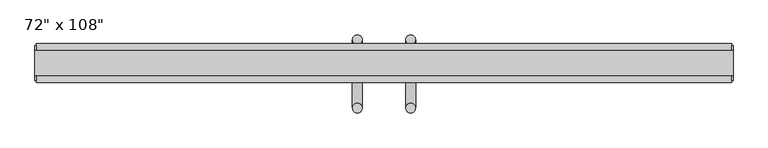
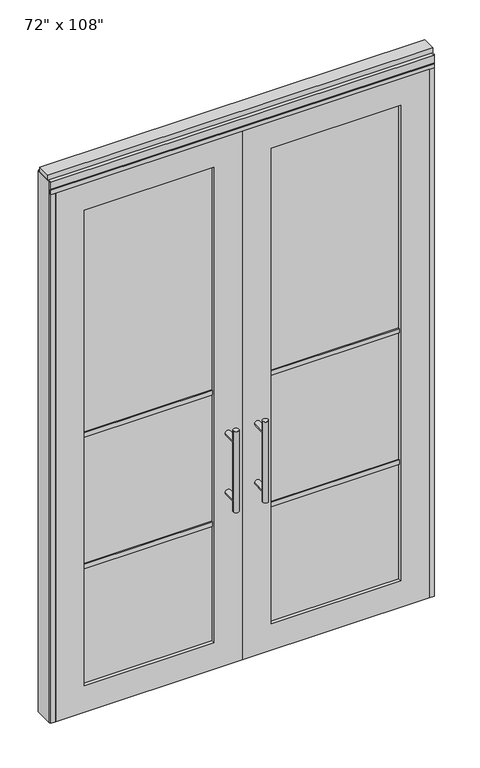
"""IFC4 building model written with IfcOpenShell, lengths in millimetres: furniture geometry."""

from ifc_helpers import new_model, si_unit, frame, origin, origin_with_axes, place, context, project, spatial, polyline, circle_curve, ellipse_curve, outline, extrude, source, transform, mapped, element, save
from ifc_brep_helpers import plane_surface, cylinder_surface, advanced_brep


def furniture_67a5b6b5(model_context):
    return source(origin(), model_context, "Body", "SolidModel", [
        advanced_brep(
        [(-117.3135229, 56.6962784, 1219.2), (-142.7135229, 56.6962784, 1219.2), (-117.3135229, 56.6962784, 812.8), (-142.7135229, 56.6962784, 812.8), (-117.3135229, 56.6962784, 1164.336), (-117.3135229, 56.6962784, 867.664), (-142.7135229, 56.6962784, 867.664), (-142.7135229, 56.6962784, 1164.336), (-117.3135229, -10.8677216, 1164.336), (-142.7135229, -10.8677216, 1164.336), (-117.3135229, -10.8677216, 867.664), (-142.7135229, -10.8677216, 867.664)],
        [
            (0, 1, circle_curve(frame((-130.0135229, 56.6962784, 1219.2), z_axis=(0.0, 0.0, 1.0), x_axis=(-1.0, 0.0, 0.0)), 12.7)),
            (1, 0, circle_curve(frame((-130.0135229, 56.6962784, 1219.2), z_axis=(0.0, 0.0, 1.0), x_axis=(-1.0, 0.0, 0.0)), 12.7)),
            (2, 3, circle_curve(frame((-130.0135229, 56.6962784, 812.8), z_axis=(0.0, 0.0, -1.0), x_axis=(-1.0, 0.0, 0.0)), 12.7)),
            (3, 2, circle_curve(frame((-130.0135229, 56.6962784, 812.8), z_axis=(0.0, 0.0, -1.0), x_axis=(-1.0, 0.0, 0.0)), 12.7)),
            (0, 4),
            (4, 5),
            (5, 2),
            (3, 6),
            (6, 7),
            (7, 1),
            (7, 4, ellipse_curve(frame((-130.0135229, 56.6962784, 1164.336), z_axis=(0.0, 0.707106781186565, 0.70710678118653), x_axis=(0.0, -0.70710678118653, 0.707106781186565)), 17.9605122, 12.7)),
            (5, 6, ellipse_curve(frame((-130.0135229, 56.6962784, 867.664), z_axis=(0.0, 0.70710678118653, -0.7071067811865649), x_axis=(0.0, 0.7071067811865648, 0.7071067811865301)), 17.9605122, 12.7)),
            (4, 7, ellipse_curve(frame((-130.0135229, 56.6962784, 1164.336), z_axis=(0.0, 0.70710678118653, -0.7071067811865649), x_axis=(0.0, 0.7071067811865648, 0.7071067811865301)), 17.9605122, 12.7)),
            (6, 5, ellipse_curve(frame((-130.0135229, 56.6962784, 867.664), z_axis=(0.0, 0.707106781186565, 0.70710678118653), x_axis=(0.0, -0.70710678118653, 0.707106781186565)), 17.9605122, 12.7)),
            (8, 9, circle_curve(frame((-130.0135229, -10.8677216, 1164.336), z_axis=(0.0, -1.0, 0.0), x_axis=(-1.0, 0.0, 0.0)), 12.7)),
            (9, 8, circle_curve(frame((-130.0135229, -10.8677216, 1164.336), z_axis=(0.0, -1.0, 0.0), x_axis=(-1.0, 0.0, 0.0)), 12.7)),
            (9, 7),
            (4, 8),
            (10, 11, circle_curve(frame((-130.0135229, -10.8677216, 867.664), z_axis=(0.0, -1.0, 0.0), x_axis=(-1.0, 0.0, 0.0)), 12.7)),
            (11, 10, circle_curve(frame((-130.0135229, -10.8677216, 867.664), z_axis=(0.0, -1.0, 0.0), x_axis=(-1.0, 0.0, 0.0)), 12.7)),
            (11, 6),
            (5, 10),
        ],
        [
            plane_surface(frame((-142.7135229, 56.6962784, 1219.2), z_axis=(0.0, 0.0, 1.0), x_axis=(0.0, -1.0, 0.0))),
            plane_surface(frame((-142.7135229, 56.6962784, 812.8), z_axis=(0.0, 0.0, -1.0), x_axis=(0.0, 1.0, 0.0))),
            cylinder_surface(frame((-130.0135229, 56.6962784, 812.8), z_axis=(0.0, 0.0, 1.0), x_axis=(-1.0, 0.0, 0.0)), 12.7),
            plane_surface(frame((-142.7135229, -10.8677216, 1164.336), z_axis=(0.0, -1.0, 0.0), x_axis=(0.0, 0.0, -1.0))),
            cylinder_surface(frame((-130.0135229, -10.8677216, 1164.336), z_axis=(0.0, 1.0, 0.0), x_axis=(-1.0, 0.0, 0.0)), 12.7),
            plane_surface(frame((-142.7135229, -10.8677216, 867.664), z_axis=(0.0, -1.0, 0.0), x_axis=(0.0, 0.0, -1.0))),
            cylinder_surface(frame((-130.0135229, -10.8677216, 867.664), z_axis=(0.0, 1.0, 0.0), x_axis=(-1.0, 0.0, 0.0)), 12.7),
        ],
        [
            (0, [[1, 2]]),
            (1, [[3, 4]]),
            (2, [[-1, 5, 6, 7, -4, 8, 9, 10]]),
            (2, [[-2, -10, 11, -5]]),
            (2, [[-3, -7, 12, -8]]),
            (2, [[13, -9, 14, -6]]),
            (3, [[15, 16]]),
            (4, [[-16, 17, -13, 18]]),
            (4, [[-15, -18, -11, -17]]),
            (5, [[19, 20]]),
            (6, [[-20, 21, -12, 22]]),
            (6, [[-19, -22, -14, -21]]),
        ],
    ),
        advanced_brep(
        [(-117.3135229, -122.8817216, 1219.2), (-142.7135229, -122.8817216, 1219.2), (-117.3135229, -122.8817216, 812.8), (-142.7135229, -122.8817216, 812.8), (-142.7135229, -122.8817216, 1164.336), (-142.7135229, -122.8817216, 867.664), (-117.3135229, -122.8817216, 867.664), (-117.3135229, -122.8817216, 1164.336), (-117.3135229, -55.3177216, 1164.336), (-142.7135229, -55.3177216, 1164.336), (-117.3135229, -55.3177216, 867.664), (-142.7135229, -55.3177216, 867.664)],
        [
            (0, 1, circle_curve(frame((-130.0135229, -122.8817216, 1219.2), z_axis=(0.0, 0.0, 1.0), x_axis=(-1.0, 0.0, 0.0)), 12.7)),
            (1, 0, circle_curve(frame((-130.0135229, -122.8817216, 1219.2), z_axis=(0.0, 0.0, 1.0), x_axis=(-1.0, 0.0, 0.0)), 12.7)),
            (2, 3, circle_curve(frame((-130.0135229, -122.8817216, 812.8), z_axis=(0.0, 0.0, -1.0), x_axis=(-1.0, 0.0, 0.0)), 12.7)),
            (3, 2, circle_curve(frame((-130.0135229, -122.8817216, 812.8), z_axis=(0.0, 0.0, -1.0), x_axis=(-1.0, 0.0, 0.0)), 12.7)),
            (1, 4),
            (4, 5),
            (5, 3),
            (2, 6),
            (6, 7),
            (7, 0),
            (6, 5, ellipse_curve(frame((-130.0135229, -122.8817216, 867.664), z_axis=(0.0, -0.707106781186565, 0.70710678118653), x_axis=(0.0, 0.70710678118653, 0.707106781186565)), 17.9605122, 12.7)),
            (4, 7, ellipse_curve(frame((-130.0135229, -122.8817216, 1164.336), z_axis=(0.0, -0.70710678118653, -0.7071067811865649), x_axis=(0.0, -0.7071067811865648, 0.7071067811865301)), 17.9605122, 12.7)),
            (7, 4, ellipse_curve(frame((-130.0135229, -122.8817216, 1164.336), z_axis=(0.0, -0.707106781186565, 0.70710678118653), x_axis=(0.0, 0.70710678118653, 0.707106781186565)), 17.9605122, 12.7)),
            (5, 6, ellipse_curve(frame((-130.0135229, -122.8817216, 867.664), z_axis=(0.0, -0.70710678118653, -0.7071067811865649), x_axis=(0.0, -0.7071067811865648, 0.7071067811865301)), 17.9605122, 12.7)),
            (8, 9, circle_curve(frame((-130.0135229, -55.3177216, 1164.336), z_axis=(0.0, 1.0, 0.0), x_axis=(-1.0, 0.0, 0.0)), 12.7)),
            (9, 8, circle_curve(frame((-130.0135229, -55.3177216, 1164.336), z_axis=(0.0, 1.0, 0.0), x_axis=(-1.0, 0.0, 0.0)), 12.7)),
            (8, 7),
            (4, 9),
            (10, 11, circle_curve(frame((-130.0135229, -55.3177216, 867.664), z_axis=(0.0, 1.0, 0.0), x_axis=(-1.0, 0.0, 0.0)), 12.7)),
            (11, 10, circle_curve(frame((-130.0135229, -55.3177216, 867.664), z_axis=(0.0, 1.0, 0.0), x_axis=(-1.0, 0.0, 0.0)), 12.7)),
            (10, 6),
            (5, 11),
        ],
        [
            plane_surface(frame((-142.7135229, -122.8817216, 1219.2), z_axis=(0.0, 0.0, 1.0), x_axis=(0.0, 1.0, 0.0))),
            plane_surface(frame((-142.7135229, -122.8817216, 812.8), z_axis=(0.0, 0.0, -1.0), x_axis=(0.0, -1.0, 0.0))),
            cylinder_surface(frame((-130.0135229, -122.8817216, 812.8), z_axis=(0.0, 0.0, 1.0), x_axis=(-1.0, 0.0, 0.0)), 12.7),
            plane_surface(frame((-142.7135229, -55.3177216, 1164.336), z_axis=(0.0, 1.0, 0.0), x_axis=(0.0, 0.0, -1.0))),
            cylinder_surface(frame((-130.0135229, -55.3177216, 1164.336), z_axis=(0.0, -1.0, 0.0), x_axis=(-1.0, 0.0, 0.0)), 12.7),
            plane_surface(frame((-142.7135229, -55.3177216, 867.664), z_axis=(0.0, 1.0, 0.0), x_axis=(0.0, 0.0, -1.0))),
            cylinder_surface(frame((-130.0135229, -55.3177216, 867.664), z_axis=(0.0, -1.0, 0.0), x_axis=(-1.0, 0.0, 0.0)), 12.7),
        ],
        [
            (0, [[1, 2]]),
            (1, [[3, 4]]),
            (2, [[5, 6, 7, -3, 8, 9, 10, -2]]),
            (2, [[-9, 11, -6, 12]]),
            (2, [[-10, 13, -5, -1]]),
            (2, [[-7, 14, -8, -4]]),
            (3, [[15, 16]]),
            (4, [[17, -12, 18, -15]]),
            (4, [[-18, -13, -17, -16]]),
            (5, [[19, 20]]),
            (6, [[21, -14, 22, -19]]),
            (6, [[-22, -11, -21, -20]]),
        ],
    ),
        extrude(outline(polyline([(-196.0535229, -44.2052216), (-812.2575229, -44.2052216), (-812.2575229, -21.9802216), (-196.0535229, -21.9802216), (-196.0535229, -44.2052216)])), frame((0.0, 0.0, 1371.6), z_axis=(0.0, 0.0, 1.0), x_axis=(1.0, 0.0, 0.0)), (0.0, 0.0, 1.0), 22.225),
        extrude(outline(polyline([(-196.0535229, -44.2052216), (-812.2575229, -44.2052216), (-812.2575229, -21.9802216), (-196.0535229, -21.9802216), (-196.0535229, -44.2052216)])), frame((0.0, 0.0, 711.2), z_axis=(0.0, 0.0, 1.0), x_axis=(1.0, 0.0, 0.0)), (0.0, 0.0, 1.0), 22.225),
        extrude(outline(polyline([(-812.2575229, -38.1727216), (-812.2575229, -28.0127216), (-196.0535229, -28.0127216), (-196.0535229, -38.1727216), (-812.2575229, -38.1727216)])), frame((0.0, 0.0, 132.969), z_axis=(0.0, 0.0, 1.0), x_axis=(1.0, 0.0, 0.0)), (0.0, 0.0, 1.0), 2388.362),
        extrude(outline(polyline([(2654.3, -948.2745229), (0.0, -948.2745229), (0.0, -60.0365229), (2654.3, -60.0365229), (2654.3, -948.2745229)]), holes=[polyline([(2521.331, -812.2575229), (2521.331, -196.0535229), (132.969, -196.0535229), (132.969, -812.2575229), (2521.331, -812.2575229)])]), frame((0.0, -55.3177216, 0.0), z_axis=(0.0, 1.0, 0.0), x_axis=(0.0, 0.0, 1.0)), (0.0, 0.0, 1.0), 44.45),
        advanced_brep(
        [(-2.7595229, 56.6962784, 1219.2), (22.6404771, 56.6962784, 1219.2), (-2.7595229, 56.6962784, 812.8), (22.6404771, 56.6962784, 812.8), (22.6404771, 56.6962784, 1164.336), (22.6404771, 56.6962784, 867.664), (-2.7595229, 56.6962784, 867.664), (-2.7595229, 56.6962784, 1164.336), (-2.7595229, -10.8677216, 1164.336), (22.6404771, -10.8677216, 1164.336), (-2.7595229, -10.8677216, 867.664), (22.6404771, -10.8677216, 867.664)],
        [
            (0, 1, circle_curve(frame((9.9404771, 56.6962784, 1219.2), z_axis=(0.0, 0.0, 1.0), x_axis=(1.0, 0.0, 0.0)), 12.7)),
            (1, 0, circle_curve(frame((9.9404771, 56.6962784, 1219.2), z_axis=(0.0, 0.0, 1.0), x_axis=(1.0, 0.0, 0.0)), 12.7)),
            (2, 3, circle_curve(frame((9.9404771, 56.6962784, 812.8), z_axis=(0.0, 0.0, -1.0), x_axis=(1.0, 0.0, 0.0)), 12.7)),
            (3, 2, circle_curve(frame((9.9404771, 56.6962784, 812.8), z_axis=(0.0, 0.0, -1.0), x_axis=(1.0, 0.0, 0.0)), 12.7)),
            (1, 4),
            (4, 5),
            (5, 3),
            (2, 6),
            (6, 7),
            (7, 0),
            (6, 5, ellipse_curve(frame((9.9404771, 56.6962784, 867.664), z_axis=(0.0, 0.707106781186565, 0.70710678118653), x_axis=(0.0, -0.70710678118653, 0.707106781186565)), 17.9605122, 12.7)),
            (4, 7, ellipse_curve(frame((9.9404771, 56.6962784, 1164.336), z_axis=(0.0, 0.70710678118653, -0.7071067811865649), x_axis=(0.0, 0.7071067811865648, 0.7071067811865301)), 17.9605122, 12.7)),
            (7, 4, ellipse_curve(frame((9.9404771, 56.6962784, 1164.336), z_axis=(0.0, 0.707106781186565, 0.70710678118653), x_axis=(0.0, -0.70710678118653, 0.707106781186565)), 17.9605122, 12.7)),
            (5, 6, ellipse_curve(frame((9.9404771, 56.6962784, 867.664), z_axis=(0.0, 0.70710678118653, -0.7071067811865649), x_axis=(0.0, 0.7071067811865648, 0.7071067811865301)), 17.9605122, 12.7)),
            (8, 9, circle_curve(frame((9.9404771, -10.8677216, 1164.336), z_axis=(0.0, -1.0, 0.0), x_axis=(1.0, 0.0, 0.0)), 12.7)),
            (9, 8, circle_curve(frame((9.9404771, -10.8677216, 1164.336), z_axis=(0.0, -1.0, 0.0), x_axis=(1.0, 0.0, 0.0)), 12.7)),
            (8, 7),
            (4, 9),
            (10, 11, circle_curve(frame((9.9404771, -10.8677216, 867.664), z_axis=(0.0, -1.0, 0.0), x_axis=(1.0, 0.0, 0.0)), 12.7)),
            (11, 10, circle_curve(frame((9.9404771, -10.8677216, 867.664), z_axis=(0.0, -1.0, 0.0), x_axis=(1.0, 0.0, 0.0)), 12.7)),
            (10, 6),
            (5, 11),
        ],
        [
            plane_surface(frame((22.6404771, 56.6962784, 1219.2), z_axis=(0.0, 0.0, 1.0), x_axis=(0.0, -1.0, 0.0))),
            plane_surface(frame((22.6404771, 56.6962784, 812.8), z_axis=(0.0, 0.0, -1.0), x_axis=(0.0, 1.0, 0.0))),
            cylinder_surface(frame((9.9404771, 56.6962784, 812.8), z_axis=(0.0, 0.0, 1.0), x_axis=(1.0, 0.0, 0.0)), 12.7),
            plane_surface(frame((22.6404771, -10.8677216, 1164.336), z_axis=(0.0, -1.0, 0.0), x_axis=(0.0, 0.0, -1.0))),
            cylinder_surface(frame((9.9404771, -10.8677216, 1164.336), z_axis=(0.0, 1.0, 0.0), x_axis=(1.0, 0.0, 0.0)), 12.7),
            plane_surface(frame((22.6404771, -10.8677216, 867.664), z_axis=(0.0, -1.0, 0.0), x_axis=(0.0, 0.0, -1.0))),
            cylinder_surface(frame((9.9404771, -10.8677216, 867.664), z_axis=(0.0, 1.0, 0.0), x_axis=(1.0, 0.0, 0.0)), 12.7),
        ],
        [
            (0, [[1, 2]]),
            (1, [[3, 4]]),
            (2, [[5, 6, 7, -3, 8, 9, 10, -2]]),
            (2, [[-9, 11, -6, 12]]),
            (2, [[-10, 13, -5, -1]]),
            (2, [[-7, 14, -8, -4]]),
            (3, [[15, 16]]),
            (4, [[17, -12, 18, -15]]),
            (4, [[-18, -13, -17, -16]]),
            (5, [[19, 20]]),
            (6, [[21, -14, 22, -19]]),
            (6, [[-22, -11, -21, -20]]),
        ],
    ),
        advanced_brep(
        [(-2.7595229, -122.8817216, 1219.2), (22.6404771, -122.8817216, 1219.2), (-2.7595229, -122.8817216, 812.8), (22.6404771, -122.8817216, 812.8), (-2.7595229, -122.8817216, 1164.336), (-2.7595229, -122.8817216, 867.664), (22.6404771, -122.8817216, 867.664), (22.6404771, -122.8817216, 1164.336), (-2.7595229, -55.3177216, 1164.336), (22.6404771, -55.3177216, 1164.336), (-2.7595229, -55.3177216, 867.664), (22.6404771, -55.3177216, 867.664)],
        [
            (0, 1, circle_curve(frame((9.9404771, -122.8817216, 1219.2), z_axis=(0.0, 0.0, 1.0), x_axis=(1.0, 0.0, 0.0)), 12.7)),
            (1, 0, circle_curve(frame((9.9404771, -122.8817216, 1219.2), z_axis=(0.0, 0.0, 1.0), x_axis=(1.0, 0.0, 0.0)), 12.7)),
            (2, 3, circle_curve(frame((9.9404771, -122.8817216, 812.8), z_axis=(0.0, 0.0, -1.0), x_axis=(1.0, 0.0, 0.0)), 12.7)),
            (3, 2, circle_curve(frame((9.9404771, -122.8817216, 812.8), z_axis=(0.0, 0.0, -1.0), x_axis=(1.0, 0.0, 0.0)), 12.7)),
            (0, 4),
            (4, 5),
            (5, 2),
            (3, 6),
            (6, 7),
            (7, 1),
            (7, 4, ellipse_curve(frame((9.9404771, -122.8817216, 1164.336), z_axis=(0.0, -0.707106781186565, 0.70710678118653), x_axis=(0.0, 0.70710678118653, 0.707106781186565)), 17.9605122, 12.7)),
            (5, 6, ellipse_curve(frame((9.9404771, -122.8817216, 867.664), z_axis=(0.0, -0.70710678118653, -0.7071067811865649), x_axis=(0.0, -0.7071067811865648, 0.7071067811865301)), 17.9605122, 12.7)),
            (4, 7, ellipse_curve(frame((9.9404771, -122.8817216, 1164.336), z_axis=(0.0, -0.70710678118653, -0.7071067811865649), x_axis=(0.0, -0.7071067811865648, 0.7071067811865301)), 17.9605122, 12.7)),
            (6, 5, ellipse_curve(frame((9.9404771, -122.8817216, 867.664), z_axis=(0.0, -0.707106781186565, 0.70710678118653), x_axis=(0.0, 0.70710678118653, 0.707106781186565)), 17.9605122, 12.7)),
            (8, 9, circle_curve(frame((9.9404771, -55.3177216, 1164.336), z_axis=(0.0, 1.0, 0.0), x_axis=(1.0, 0.0, 0.0)), 12.7)),
            (9, 8, circle_curve(frame((9.9404771, -55.3177216, 1164.336), z_axis=(0.0, 1.0, 0.0), x_axis=(1.0, 0.0, 0.0)), 12.7)),
            (9, 7),
            (4, 8),
            (10, 11, circle_curve(frame((9.9404771, -55.3177216, 867.664), z_axis=(0.0, 1.0, 0.0), x_axis=(1.0, 0.0, 0.0)), 12.7)),
            (11, 10, circle_curve(frame((9.9404771, -55.3177216, 867.664), z_axis=(0.0, 1.0, 0.0), x_axis=(1.0, 0.0, 0.0)), 12.7)),
            (11, 6),
            (5, 10),
        ],
        [
            plane_surface(frame((22.6404771, -122.8817216, 1219.2), z_axis=(0.0, 0.0, 1.0), x_axis=(0.0, 1.0, 0.0))),
            plane_surface(frame((22.6404771, -122.8817216, 812.8), z_axis=(0.0, 0.0, -1.0), x_axis=(0.0, -1.0, 0.0))),
            cylinder_surface(frame((9.9404771, -122.8817216, 812.8), z_axis=(0.0, 0.0, 1.0), x_axis=(1.0, 0.0, 0.0)), 12.7),
            plane_surface(frame((22.6404771, -55.3177216, 1164.336), z_axis=(0.0, 1.0, 0.0), x_axis=(0.0, 0.0, -1.0))),
            cylinder_surface(frame((9.9404771, -55.3177216, 1164.336), z_axis=(0.0, -1.0, 0.0), x_axis=(1.0, 0.0, 0.0)), 12.7),
            plane_surface(frame((22.6404771, -55.3177216, 867.664), z_axis=(0.0, 1.0, 0.0), x_axis=(0.0, 0.0, -1.0))),
            cylinder_surface(frame((9.9404771, -55.3177216, 867.664), z_axis=(0.0, -1.0, 0.0), x_axis=(1.0, 0.0, 0.0)), 12.7),
        ],
        [
            (0, [[1, 2]]),
            (1, [[3, 4]]),
            (2, [[-1, 5, 6, 7, -4, 8, 9, 10]]),
            (2, [[-2, -10, 11, -5]]),
            (2, [[-3, -7, 12, -8]]),
            (2, [[13, -9, 14, -6]]),
            (3, [[15, 16]]),
            (4, [[-16, 17, -13, 18]]),
            (4, [[-15, -18, -11, -17]]),
            (5, [[19, 20]]),
            (6, [[-20, 21, -12, 22]]),
            (6, [[-19, -22, -14, -21]]),
        ],
    ),
        extrude(outline(polyline([(75.9804771, -44.2052216), (75.9804771, -21.9802216), (692.1844771, -21.9802216), (692.1844771, -44.2052216), (75.9804771, -44.2052216)])), frame((0.0, 0.0, 1371.6), z_axis=(0.0, 0.0, 1.0), x_axis=(1.0, 0.0, 0.0)), (0.0, 0.0, 1.0), 22.225),
        extrude(outline(polyline([(75.9804771, -44.2052216), (75.9804771, -21.9802216), (692.1844771, -21.9802216), (692.1844771, -44.2052216), (75.9804771, -44.2052216)])), frame((0.0, 0.0, 711.2), z_axis=(0.0, 0.0, 1.0), x_axis=(1.0, 0.0, 0.0)), (0.0, 0.0, 1.0), 22.225),
        extrude(outline(polyline([(692.1844771, -38.1727216), (75.9804771, -38.1727216), (75.9804771, -28.0127216), (692.1844771, -28.0127216), (692.1844771, -38.1727216)])), frame((0.0, 0.0, 132.969), z_axis=(0.0, 0.0, 1.0), x_axis=(1.0, 0.0, 0.0)), (0.0, 0.0, 1.0), 2388.362),
        extrude(outline(polyline([(2654.3, 828.2014771), (2654.3, -60.0365229), (0.0, -60.0365229), (0.0, 828.2014771), (2654.3, 828.2014771)]), holes=[polyline([(2521.331, 692.1844771), (132.969, 692.1844771), (132.969, 75.9804771), (2521.331, 75.9804771), (2521.331, 692.1844771)])]), frame((0.0, -55.3177216, 0.0), z_axis=(0.0, 1.0, 0.0), x_axis=(0.0, 0.0, 1.0)), (0.0, 0.0, 1.0), 44.45),
        extrude(outline(polyline([(-970.4995229, -55.3177216), (-970.4995229, 46.2822784), (850.4264771, 46.2822784), (850.4264771, -55.3177216), (-970.4995229, -55.3177216)])), frame((0.0, 0.0, 2654.3), z_axis=(0.0, 0.0, 1.0), x_axis=(1.0, 0.0, 0.0)), (0.0, 0.0, 1.0), 22.225),
        extrude(outline(polyline([(854.3634771, -50.3647216), (850.4264771, -50.3647216), (850.4264771, 41.3292784), (854.3634771, 41.3292784), (854.3634771, -50.3647216)])), origin_with_axes(), (0.0, 0.0, 1.0), 2717.8),
        extrude(outline(polyline([(-974.4365229, -50.3647216), (-974.4365229, 41.3292784), (-970.4995229, 41.3292784), (-970.4995229, -50.3647216), (-974.4365229, -50.3647216)])), origin_with_axes(), (0.0, 0.0, 1.0), 2717.8),
        extrude(outline(polyline([(828.2014771, -55.3177216), (828.2014771, 46.2822784), (850.4264771, 46.2822784), (850.4264771, -55.3177216), (828.2014771, -55.3177216)])), origin_with_axes(), (0.0, 0.0, 1.0), 2654.3),
        extrude(outline(polyline([(-948.2745229, -55.3177216), (-970.4995229, -55.3177216), (-970.4995229, 46.2822784), (-948.2745229, 46.2822784), (-948.2745229, -55.3177216)])), origin_with_axes(), (0.0, 0.0, 1.0), 2654.3),
        extrude(outline(polyline([(-55.3177216, 2681.478), (-55.3177216, 2717.8), (46.2822784, 2717.8), (46.2822784, 2681.478), (41.3292784, 2681.478), (41.3292784, 2676.525), (-50.3647216, 2676.525), (-50.3647216, 2681.478), (-55.3177216, 2681.478)])), frame((-970.4995229, 0.0, 0.0), z_axis=(1.0, 0.0, 0.0), x_axis=(0.0, 1.0, 0.0)), (0.0, 0.0, 1.0), 1820.926),
        extrude(outline(polyline([(-974.4365229, -37.0297216), (-974.4365229, 27.9942784), (854.3634771, 27.9942784), (854.3634771, -37.0297216), (-974.4365229, -37.0297216)])), frame((0.0, 0.0, 2717.8), z_axis=(0.0, 0.0, 1.0), x_axis=(1.0, 0.0, 0.0)), (0.0, 0.0, 1.0), 25.4),
    ])


if __name__ == "__main__":
    model = new_model("IFC4")
    model_context = context("Model", 3, world=origin())
    ifc_project = project(units=[si_unit("LENGTHUNIT", "METRE", prefix="MILLI")], contexts=[model_context])
    site = spatial("IfcSite", under=ifc_project)
    building = spatial("IfcBuilding", under=site)
    placement = place(None, origin())
    furniture_shape = furniture_67a5b6b5(model_context)
    element("IfcFurniture", 1, ObjectType="72\" x 108\"", at=placement, inside=building, context=model_context, shape_type="MappedRepresentation", body=[
        mapped(furniture_shape, transform((0.0, 0.0, 0.0), x_axis=(1.0, 0.0, 0.0), y_axis=(0.0, 1.0, 0.0), z_axis=(0.0, 0.0, 1.0))),
    ])
    save(model, "model.ifc")
